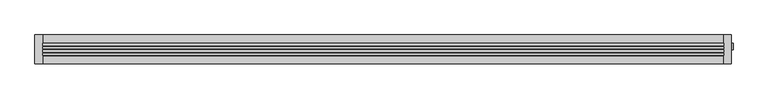
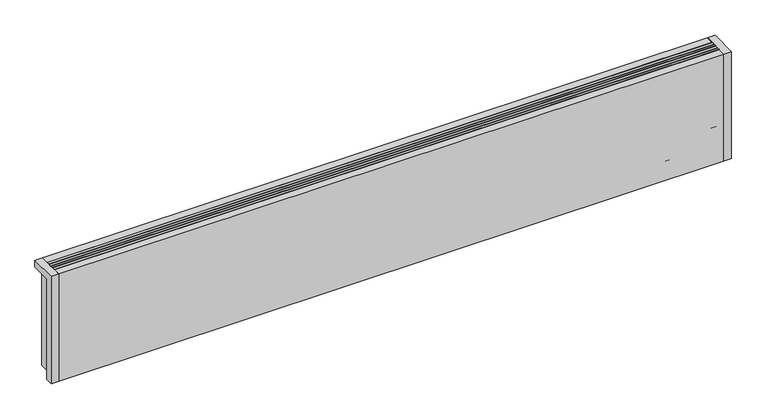
"""IFC4 building model written with IfcOpenShell, lengths in millimetres: proxy geometry."""

from ifc_helpers import new_model, si_unit, point, frame, frame_2d, origin, origin_with_axes, place, context, project, spatial, polyline, circle_curve, ellipse_curve, trimmed, segment, composite_curve, outline, extrude, source, transform, mapped, element, save
from ifc_brep_helpers import plane_surface, cylinder_surface, revolved_surface, advanced_brep


def mechanical_equipment_fd75e095(model_context):
    return source(origin(), model_context, "Body", "SolidModel", [
        advanced_brep(
        [(1782.0, 19.8236127, 77.0), (1782.0, -4.8236127, 77.0), (1782.0, 0.0, 77.0), (1782.0, 15.0, 77.0), (1804.3972754, -1.4373094, 77.0), (1804.3972754, 16.4373094, 77.0), (1804.3972754, 7.5, 77.0), (1751.5, 15.0, 77.0), (1751.5, 0.0, 77.0)],
        [
            (0, 1, circle_curve(frame((1782.0, 7.5, 77.0), z_axis=(-1.0, 0.0, 0.0), x_axis=(0.0, 1.0, 0.0)), 12.3236127)),
            (1, 2),
            (2, 3, circle_curve(frame((1782.0, 7.5, 77.0), z_axis=(1.0, 0.0, 0.0), x_axis=(0.0, -1.0, 0.0)), 7.5)),
            (3, 0),
            (1, 0, circle_curve(frame((1782.0, 7.5, 77.0), z_axis=(-1.0, 0.0, 0.0), x_axis=(0.0, 1.0, 0.0)), 12.3236127)),
            (3, 2, circle_curve(frame((1782.0, 7.5, 77.0), z_axis=(1.0, 0.0, 0.0), x_axis=(0.0, -1.0, 0.0)), 7.5)),
            (4, 5, circle_curve(frame((1804.3972754, 7.5, 77.0), z_axis=(1.0, 0.0, 0.0), x_axis=(0.0, 1.0, 0.0)), 8.9373094)),
            (5, 6),
            (6, 4),
            (5, 4, circle_curve(frame((1804.3972754, 7.5, 77.0), z_axis=(1.0, 0.0, 0.0), x_axis=(0.0, 1.0, 0.0)), 8.9373094)),
            (7, 8, circle_curve(frame((1751.5, 7.5, 77.0), z_axis=(-1.0, 0.0, 0.0), x_axis=(0.0, -1.0, 0.0)), 7.5)),
            (8, 7, circle_curve(frame((1751.5, 7.5, 77.0), z_axis=(-1.0, 0.0, 0.0), x_axis=(0.0, -1.0, 0.0)), 7.5)),
            (8, 2),
            (3, 7),
            (0, 5, circle_curve(frame((1782.930269, -49.7853335, 77.0), z_axis=(0.0, 0.0, -1.0), x_axis=(1.0, 0.0, 0.0)), 69.6151621)),
            (4, 1, circle_curve(frame((1782.930269, 64.7853335, 77.0), z_axis=(0.0, 0.0, -1.0), x_axis=(1.0, 0.0, 0.0)), 69.6151621)),
        ],
        [
            plane_surface(frame((1782.0, 7.5, 77.0), z_axis=(-1.0, 0.0, 0.0), x_axis=(0.0, 1.0, 0.0))),
            plane_surface(frame((1804.3972754, 7.5, 77.0), z_axis=(1.0, 0.0, 0.0), x_axis=(0.0, 1.0, 0.0))),
            plane_surface(frame((1751.5, 0.0, 77.0), z_axis=(-1.0, 0.0, 0.0), x_axis=(0.0, 0.0, 1.0))),
            cylinder_surface(frame((1751.5, 7.5, 77.0), z_axis=(1.0, 0.0, 0.0), x_axis=(0.0, -1.0, 0.0)), 7.5),
            revolved_surface(trimmed(ellipse_curve(frame((1782.930269, -49.7853335, 77.0), z_axis=(0.0, 0.0, 1.0), x_axis=(1.0, 0.0, 0.0)), 69.6151621, 69.6151621), [point((1804.3972754, 16.4373094, 77.0))], [point((1782.0, 19.8236127, 77.0))], True, "CARTESIAN"), (1810.1181216, 7.5, 77.0), (-1.0, 0.0, 0.0)),
        ],
        [
            (0, [[1, 2, 3, 4]]),
            (0, [[5, -4, 6, -2]]),
            (1, [[7, 8, 9]]),
            (1, [[-8, 10, -9]]),
            (2, [[11, 12]]),
            (3, [[-12, 13, -6, 14]]),
            (3, [[-11, -14, -3, -13]]),
            (4, [[-1, 15, -7, 16]]),
            (4, [[-5, -16, -10, -15]]),
        ],
    ),
        advanced_brep(
        [(1650.0, 7.5, 19.5), (1650.0, 7.5, 34.5), (1686.5, 7.5, 19.5), (1701.5, 7.5, 34.5), (1686.5, 7.5, 0.0), (1701.5, 7.5, 0.0)],
        [
            (0, 1, circle_curve(frame((1650.0, 7.5, 27.0), z_axis=(-1.0, 0.0, 0.0), x_axis=(0.0, 0.0, 1.0)), 7.5)),
            (1, 0, circle_curve(frame((1650.0, 7.5, 27.0), z_axis=(-1.0, 0.0, 0.0), x_axis=(0.0, 0.0, 1.0)), 7.5)),
            (0, 2),
            (2, 3, ellipse_curve(frame((1694.0, 7.5, 27.0), z_axis=(-0.7071067811865471, 0.0, 0.707106781186548), x_axis=(-0.7071067811865478, 0.0, -0.7071067811865471)), 10.6066017, 7.5)),
            (3, 1),
            (3, 2, ellipse_curve(frame((1694.0, 7.5, 27.0), z_axis=(-0.7071067811865471, 0.0, 0.707106781186548), x_axis=(-0.7071067811865478, 0.0, -0.7071067811865471)), 10.6066017, 7.5)),
            (4, 5, circle_curve(frame((1694.0, 7.5, 0.0), z_axis=(0.0, 0.0, -1.0), x_axis=(1.0, 0.0, 0.0)), 7.5)),
            (5, 4, circle_curve(frame((1694.0, 7.5, 0.0), z_axis=(0.0, 0.0, -1.0), x_axis=(1.0, 0.0, 0.0)), 7.5)),
            (2, 4),
            (5, 3),
        ],
        [
            plane_surface(frame((1650.0, 7.5, 27.0), z_axis=(-1.0, 0.0, 0.0), x_axis=(0.0, -1.0, 0.0))),
            cylinder_surface(frame((1650.0, 7.5, 27.0), z_axis=(-1.0, 0.0, 0.0), x_axis=(0.0, 0.0, 1.0)), 7.5),
            plane_surface(frame((1694.0, 7.5, 0.0), z_axis=(0.0, 0.0, -1.0), x_axis=(0.0, -1.0, 0.0))),
            cylinder_surface(frame((1694.0, 7.5, 27.0), z_axis=(0.0, 0.0, 1.0), x_axis=(1.0, 0.0, 0.0)), 7.5),
        ],
        [
            (0, [[1, 2]]),
            (1, [[-1, 3, 4, 5]]),
            (1, [[-2, -5, 6, -3]]),
            (2, [[7, 8]]),
            (3, [[-4, 9, -8, 10]]),
            (3, [[-6, -10, -7, -9]]),
        ],
    ),
        advanced_brep(
        [(1650.0, 7.5, 69.5), (1650.0, 7.5, 84.5), (1736.5, 7.5, 69.5), (1751.5, 7.5, 84.5), (1736.5, 7.5, 0.0), (1751.5, 7.5, 0.0)],
        [
            (0, 1, circle_curve(frame((1650.0, 7.5, 77.0), z_axis=(-1.0, 0.0, 0.0), x_axis=(0.0, 0.0, 1.0)), 7.5)),
            (1, 0, circle_curve(frame((1650.0, 7.5, 77.0), z_axis=(-1.0, 0.0, 0.0), x_axis=(0.0, 0.0, 1.0)), 7.5)),
            (0, 2),
            (2, 3, ellipse_curve(frame((1744.0, 7.5, 77.0), z_axis=(-0.7071067811865469, 0.0, 0.7071067811865481), x_axis=(-0.7071067811865481, 0.0, -0.7071067811865469)), 10.6066017, 7.5)),
            (3, 1),
            (3, 2, ellipse_curve(frame((1744.0, 7.5, 77.0), z_axis=(-0.7071067811865469, 0.0, 0.7071067811865481), x_axis=(-0.7071067811865481, 0.0, -0.7071067811865469)), 10.6066017, 7.5)),
            (4, 5, circle_curve(frame((1744.0, 7.5, 0.0), z_axis=(0.0, 0.0, -1.0), x_axis=(1.0, 0.0, 0.0)), 7.5)),
            (5, 4, circle_curve(frame((1744.0, 7.5, 0.0), z_axis=(0.0, 0.0, -1.0), x_axis=(1.0, 0.0, 0.0)), 7.5)),
            (2, 4),
            (5, 3),
        ],
        [
            plane_surface(frame((1650.0, 7.5, 77.0), z_axis=(-1.0, 0.0, 0.0), x_axis=(0.0, -1.0, 0.0))),
            cylinder_surface(frame((1650.0, 7.5, 77.0), z_axis=(-1.0, 0.0, 0.0), x_axis=(0.0, 0.0, 1.0)), 7.5),
            plane_surface(frame((1744.0, 7.5, 0.0), z_axis=(0.0, 0.0, -1.0), x_axis=(0.0, -1.0, 0.0))),
            cylinder_surface(frame((1744.0, 7.5, 77.0), z_axis=(0.0, 0.0, 1.0), x_axis=(1.0, 0.0, 0.0)), 7.5),
        ],
        [
            (0, [[1, 2]]),
            (1, [[-1, 3, 4, 5]]),
            (1, [[-2, -5, 6, -3]]),
            (2, [[7, 8]]),
            (3, [[-4, 9, -8, 10]]),
            (3, [[-6, -10, -7, -9]]),
        ],
    ),
        extrude(outline(polyline([(20.0, -1.1666667), (1780.0, -1.1666667), (1780.0, -7.1666667), (20.0, -7.1666667), (20.0, -1.1666667)])), frame((0.0, 0.0, 282.0), z_axis=(0.0, 0.0, 1.0), x_axis=(1.0, 0.0, 0.0)), (0.0, 0.0, 1.0), 18.0),
        extrude(outline(polyline([(20.0, 7.1666667), (1780.0, 7.1666667), (1780.0, 1.1666667), (20.0, 1.1666667), (20.0, 7.1666667)])), frame((0.0, 0.0, 282.0), z_axis=(0.0, 0.0, 1.0), x_axis=(1.0, 0.0, 0.0)), (0.0, 0.0, 1.0), 18.0),
        extrude(outline(polyline([(20.0, -9.5), (1780.0, -9.5), (1780.0, -15.5), (20.0, -15.5), (20.0, -9.5)])), frame((0.0, 0.0, 282.0), z_axis=(0.0, 0.0, 1.0), x_axis=(1.0, 0.0, 0.0)), (0.0, 0.0, 1.0), 18.0),
        extrude(outline(polyline([(20.0, 15.5), (1780.0, 15.5), (1780.0, 9.5), (20.0, 9.5), (20.0, 15.5)])), frame((0.0, 0.0, 282.0), z_axis=(0.0, 0.0, 1.0), x_axis=(1.0, 0.0, 0.0)), (0.0, 0.0, 1.0), 18.0),
        extrude(outline(polyline([(1780.0, 17.5), (20.0, 17.5), (20.0, 37.5), (1780.0, 37.5), (1780.0, 17.5)])), origin_with_axes(), (0.0, 0.0, 1.0), 281.0),
        advanced_brep(
        [(1780.0, -37.5, 300.0), (1800.0, -37.5, 300.0), (1800.0, 37.5, 300.0), (1780.0, 37.5, 300.0), (20.0, 37.5, 300.0), (0.0, 37.5, 300.0), (0.0, -37.5, 300.0), (20.0, -37.5, 300.0), (20.0, -37.5, 0.0), (0.0, -37.5, 0.0), (0.0, -17.5, 0.0), (18.0, -17.5, 0.0), (18.0, 37.5, 0.0), (20.0, 37.5, 0.0), (20.0, 17.5, 0.0), (1780.0, 17.5, 0.0), (1780.0, 37.5, 0.0), (1782.0, 37.5, 0.0), (1782.0, -17.5, 0.0), (1800.0, -17.5, 0.0), (1800.0, -37.5, 0.0), (1780.0, -37.5, 0.0), (1780.0, -17.5, 0.0), (20.0, -17.5, 0.0), (1686.5, 7.5, 0.0), (1701.5, 7.5, 0.0), (1736.5, 7.5, 0.0), (1751.5, 7.5, 0.0), (20.0, -17.5, 281.0), (20.0, 17.5, 281.0), (1780.0, -17.5, 20.0), (1650.0, -17.5, 20.0), (1650.0, -17.5, 281.0), (1780.0, 17.5, 20.0), (1780.0, 14.6414284, 20.0), (1780.0, 17.5, 27.0), (1780.0, -2.5, 27.0), (1780.0, 0.3585716, 20.0), (1780.0, -2.5, 77.0), (1780.0, 17.5, 77.0), (1800.0, -17.5, 281.0), (1800.0, 37.5, 281.0), (1782.0, 37.5, 281.0), (1650.0, 17.5, 281.0), (1650.0, 17.5, 20.0), (18.0, 37.5, 281.0), (0.0, 37.5, 281.0), (0.0, -17.5, 281.0), (1701.5, 7.5, 20.0), (1686.5, 7.5, 20.0), (1751.5, 7.5, 20.0), (1736.5, 7.5, 20.0), (1782.0, -17.5, 281.0), (1782.0, 17.5, 27.0), (1782.0, -2.5, 27.0), (1782.0, 17.5, 77.0), (1782.0, -2.5, 77.0), (18.0, -17.5, 281.0)],
        [
            (0, 1),
            (1, 2),
            (2, 3),
            (3, 0),
            (4, 5),
            (5, 6),
            (6, 7),
            (7, 4),
            (8, 9),
            (9, 10),
            (10, 11),
            (11, 12),
            (12, 13),
            (13, 14),
            (14, 15),
            (15, 16),
            (16, 17),
            (17, 18),
            (18, 19),
            (19, 20),
            (20, 21),
            (21, 22),
            (22, 23),
            (23, 8),
            (24, 25, circle_curve(frame((1694.0, 7.5, 0.0), z_axis=(0.0, 0.0, 1.0), x_axis=(1.0, 0.0, 0.0)), 7.5)),
            (25, 24, circle_curve(frame((1694.0, 7.5, 0.0), z_axis=(0.0, 0.0, 1.0), x_axis=(1.0, 0.0, 0.0)), 7.5)),
            (26, 27, circle_curve(frame((1744.0, 7.5, 0.0), z_axis=(0.0, 0.0, 1.0), x_axis=(1.0, 0.0, 0.0)), 7.5)),
            (27, 26, circle_curve(frame((1744.0, 7.5, 0.0), z_axis=(0.0, 0.0, 1.0), x_axis=(1.0, 0.0, 0.0)), 7.5)),
            (13, 4),
            (7, 8),
            (23, 28),
            (28, 29),
            (29, 14),
            (22, 30),
            (30, 31),
            (31, 32),
            (32, 28),
            (15, 33),
            (33, 34),
            (34, 35, circle_curve(frame((1780.0, 7.5, 27.0), z_axis=(1.0, 0.0, 0.0), x_axis=(0.0, 1.0, 0.0)), 10.0)),
            (35, 36, circle_curve(frame((1780.0, 7.5, 27.0), z_axis=(1.0, 0.0, 0.0), x_axis=(0.0, 1.0, 0.0)), 10.0)),
            (36, 37, circle_curve(frame((1780.0, 7.5, 27.0), z_axis=(1.0, 0.0, 0.0), x_axis=(0.0, 1.0, 0.0)), 10.0)),
            (37, 30),
            (21, 0),
            (3, 16),
            (38, 39, circle_curve(frame((1780.0, 7.5, 77.0), z_axis=(1.0, 0.0, 0.0), x_axis=(0.0, 1.0, 0.0)), 10.0)),
            (39, 38, circle_curve(frame((1780.0, 7.5, 77.0), z_axis=(1.0, 0.0, 0.0), x_axis=(0.0, 1.0, 0.0)), 10.0)),
            (20, 1),
            (19, 40),
            (40, 41),
            (41, 2),
            (41, 42),
            (42, 17),
            (29, 43),
            (43, 44),
            (44, 33),
            (12, 45),
            (45, 46),
            (46, 5),
            (46, 47),
            (47, 10),
            (9, 6),
            (32, 43),
            (44, 31),
            (37, 34),
            (48, 49, circle_curve(frame((1694.0, 7.5, 20.0), z_axis=(0.0, 0.0, -1.0), x_axis=(1.0, 0.0, 0.0)), 7.5)),
            (49, 48, circle_curve(frame((1694.0, 7.5, 20.0), z_axis=(0.0, 0.0, -1.0), x_axis=(1.0, 0.0, 0.0)), 7.5)),
            (50, 51, circle_curve(frame((1744.0, 7.5, 20.0), z_axis=(0.0, 0.0, -1.0), x_axis=(1.0, 0.0, 0.0)), 7.5)),
            (51, 50, circle_curve(frame((1744.0, 7.5, 20.0), z_axis=(0.0, 0.0, -1.0), x_axis=(1.0, 0.0, 0.0)), 7.5)),
            (40, 52),
            (52, 42),
            (52, 18),
            (53, 54, circle_curve(frame((1782.0, 7.5, 27.0), z_axis=(-1.0, 0.0, 0.0), x_axis=(0.0, 1.0, 0.0)), 10.0)),
            (54, 53, circle_curve(frame((1782.0, 7.5, 27.0), z_axis=(-1.0, 0.0, 0.0), x_axis=(0.0, 1.0, 0.0)), 10.0)),
            (55, 56, circle_curve(frame((1782.0, 7.5, 77.0), z_axis=(-1.0, 0.0, 0.0), x_axis=(0.0, 1.0, 0.0)), 10.0)),
            (56, 55, circle_curve(frame((1782.0, 7.5, 77.0), z_axis=(-1.0, 0.0, 0.0), x_axis=(0.0, 1.0, 0.0)), 10.0)),
            (45, 57),
            (57, 47),
            (11, 57),
            (37, 34, circle_curve(frame((1780.0, 7.5, 27.0), z_axis=(1.0, 0.0, 0.0), x_axis=(0.0, 1.0, 0.0)), 10.0)),
            (36, 54),
            (53, 35),
            (38, 56),
            (55, 39),
            (48, 25),
            (24, 49),
            (50, 27),
            (26, 51),
        ],
        [
            plane_surface(frame((20.0, -37.5, 300.0), z_axis=(0.0, 0.0, 1.0), x_axis=(0.0, 1.0, 0.0))),
            plane_surface(frame((20.0, -37.5, 0.0), z_axis=(0.0, 0.0, -1.0), x_axis=(0.0, -1.0, 0.0))),
            plane_surface(frame((20.0, -37.5, 300.0), z_axis=(1.0, 0.0, 0.0), x_axis=(0.0, 0.0, -1.0))),
            plane_surface(frame((20.0, -17.5, 300.0), z_axis=(0.0, -1.0, 0.0), x_axis=(0.0, 0.0, -1.0))),
            plane_surface(frame((1780.0, -17.5, 300.0), z_axis=(-1.0, 0.0, 0.0), x_axis=(0.0, 0.0, -1.0))),
            plane_surface(frame((1780.0, -37.5, 300.0), z_axis=(0.0, -1.0, 0.0), x_axis=(0.0, 0.0, -1.0))),
            plane_surface(frame((1800.0, -37.5, 300.0), z_axis=(1.0, 0.0, 0.0), x_axis=(0.0, 0.0, -1.0))),
            plane_surface(frame((1800.0, 37.5, 300.0), z_axis=(0.0, 1.0, 0.0), x_axis=(0.0, 0.0, -1.0))),
            plane_surface(frame((1780.0, 17.5, 300.0), z_axis=(0.0, 1.0, 0.0), x_axis=(0.0, 0.0, -1.0))),
            plane_surface(frame((20.0, 37.5, 300.0), z_axis=(0.0, 1.0, 0.0), x_axis=(0.0, 0.0, -1.0))),
            plane_surface(frame((0.0, 37.5, 300.0), z_axis=(-1.0, 0.0, 0.0), x_axis=(0.0, 0.0, -1.0))),
            plane_surface(frame((0.0, -37.5, 300.0), z_axis=(0.0, -1.0, 0.0), x_axis=(0.0, 0.0, -1.0))),
            plane_surface(frame((20.0, 17.5, 281.0), z_axis=(0.0, 0.0, 1.0), x_axis=(1.0, 0.0, 0.0))),
            plane_surface(frame((1650.0, 17.5, 20.0), z_axis=(0.0, 0.0, 1.0), x_axis=(0.0, 1.0, 0.0))),
            plane_surface(frame((1650.0, 17.5, 300.0), z_axis=(1.0, 0.0, 0.0), x_axis=(0.0, 0.0, -1.0))),
            plane_surface(frame((1782.0, 37.5, 281.0), z_axis=(0.0, 0.0, -1.0), x_axis=(0.0, -1.0, 0.0))),
            plane_surface(frame((1782.0, 37.5, 281.0), z_axis=(1.0, 0.0, 0.0), x_axis=(0.0, 0.0, -1.0))),
            plane_surface(frame((1782.0, -17.5, 281.0), z_axis=(0.0, 1.0, 0.0), x_axis=(0.0, 0.0, -1.0))),
            plane_surface(frame((0.0, 37.5, 281.0), z_axis=(0.0, 0.0, -1.0), x_axis=(-1.0, 0.0, 0.0))),
            plane_surface(frame((18.0, -17.5, 281.0), z_axis=(-1.0, 0.0, 0.0), x_axis=(0.0, 0.0, -1.0))),
            plane_surface(frame((0.0, -17.5, 281.0), z_axis=(0.0, 1.0, 0.0), x_axis=(0.0, 0.0, -1.0))),
            plane_surface(frame((1780.0, 17.5, 27.0), z_axis=(1.0, 0.0, 0.0), x_axis=(0.0, 0.0, -1.0))),
            revolved_surface(polyline([(1782.0, 17.5, 27.0), (1780.0, 17.5, 27.0)]), (1780.0, 7.5, 27.0), (1.0, 0.0, 0.0)),
            revolved_surface(polyline([(1782.0, 17.5, 77.0), (1780.0, 17.5, 77.0)]), (0.0, 7.5, 77.0), (1.0, 0.0, 0.0)),
            revolved_surface(polyline([(1701.5, 7.5, 20.0), (1701.5, 7.5, 0.0)]), (1694.0, 7.5, 0.0), (0.0, 0.0, 1.0)),
            revolved_surface(polyline([(1751.5, 7.5, 20.0), (1751.5, 7.5, 0.0)]), (1744.0, 7.5, 0.0), (0.0, 0.0, 1.0)),
        ],
        [
            (0, [[1, 2, 3, 4]]),
            (0, [[5, 6, 7, 8]]),
            (1, [[9, 10, 11, 12, 13, 14, 15, 16, 17, 18, 19, 20, 21, 22, 23, 24], [25, 26], [27, 28]]),
            (2, [[-14, 29, -8, 30, -24, 31, 32, 33]]),
            (3, [[-23, 34, 35, 36, 37, -31]]),
            (4, [[-16, 38, 39, 40, 41, 42, 43, -34, -22, 44, -4, 45], [46, 47]]),
            (5, [[-1, -44, -21, 48]]),
            (6, [[-2, -48, -20, 49, 50, 51]]),
            (7, [[-3, -51, 52, 53, -17, -45]]),
            (8, [[-15, -33, 54, 55, 56, -38]]),
            (9, [[-5, -29, -13, 57, 58, 59]]),
            (10, [[-6, -59, 60, 61, -10, 62]]),
            (11, [[-7, -62, -9, -30]]),
            (12, [[-32, -37, 63, -54]]),
            (13, [[64, -35, -43, 65, -39, -56], [66, 67], [68, 69]]),
            (14, [[-64, -55, -63, -36]]),
            (15, [[70, 71, -52, -50]]),
            (16, [[-71, 72, -18, -53], [73, 74], [75, 76]]),
            (17, [[-70, -49, -19, -72]]),
            (18, [[77, 78, -60, -58]]),
            (19, [[-77, -57, -12, 79]]),
            (20, [[-78, -79, -11, -61]]),
            (21, [[80, -65]]),
            (22, [[-80, -42, 81, -73, 82, -40]]),
            (22, [[-81, -41, -82, -74]]),
            (23, [[83, -75, 84, -46]]),
            (23, [[-83, -47, -84, -76]]),
            (24, [[85, -25, 86, -66]]),
            (24, [[-85, -67, -86, -26]]),
            (25, [[87, -27, 88, -68]]),
            (25, [[-87, -69, -88, -28]]),
        ],
    ),
        extrude(outline(polyline([(1780.0, 17.5), (20.0, 17.5), (20.0, 37.5), (1780.0, 37.5), (1780.0, 17.5)])), frame((0.0, 0.0, 281.0), z_axis=(0.0, 0.0, 1.0), x_axis=(1.0, 0.0, 0.0)), (0.0, 0.0, 1.0), 19.0),
        extrude(outline(polyline([(1780.0, -37.5), (20.0, -37.5), (20.0, -17.5), (1780.0, -17.5), (1780.0, -37.5)])), origin_with_axes(), (0.0, 0.0, 1.0), 300.0),
        extrude(outline(composite_curve([segment(trimmed(circle_curve(frame_2d((7.5, 77.0)), 10.0), [point((-2.5, 77.0))], [point((17.5, 77.0))], False, "CARTESIAN"), True, "CONTINUOUS"), segment(trimmed(circle_curve(frame_2d((7.5, 77.0)), 10.0), [point((17.5, 77.0))], [point((-2.5, 77.0))], False, "CARTESIAN"), True, "CONTINUOUS")], self_intersect=False)), frame((1780.0, 0.0, 0.0), z_axis=(1.0, 0.0, 0.0), x_axis=(0.0, 1.0, 0.0)), (0.0, 0.0, 1.0), 2.0),
        extrude(outline(composite_curve([segment(trimmed(circle_curve(frame_2d((7.5, 27.0)), 10.0), [point((-2.5, 27.0))], [point((17.5, 27.0))], False, "CARTESIAN"), True, "CONTINUOUS"), segment(trimmed(circle_curve(frame_2d((7.5, 27.0)), 10.0), [point((17.5, 27.0))], [point((-2.5, 27.0))], False, "CARTESIAN"), True, "CONTINUOUS")], self_intersect=False)), frame((1780.0, 0.0, 0.0), z_axis=(1.0, 0.0, 0.0), x_axis=(0.0, 1.0, 0.0)), (0.0, 0.0, 1.0), 2.0),
    ])


if __name__ == "__main__":
    model = new_model("IFC4")
    model_context = context("Model", 3, world=origin())
    ifc_project = project(units=[si_unit("LENGTHUNIT", "METRE", prefix="MILLI")], contexts=[model_context])
    site = spatial("IfcSite", under=ifc_project)
    building = spatial("IfcBuilding", under=site)
    placement = place(None, origin())
    mechanical_equipment_shape = mechanical_equipment_fd75e095(model_context)
    element("IfcBuildingElementProxy", 1, Name="Mechanical Equipment", at=placement, inside=building, context=model_context, shape_type="MappedRepresentation", body=[
        mapped(mechanical_equipment_shape, transform((0.0, 0.0, 0.0), x_axis=(1.0, 0.0, 0.0), y_axis=(0.0, 1.0, 0.0), z_axis=(0.0, 0.0, 1.0))),
    ])
    save(model, "model.ifc")
